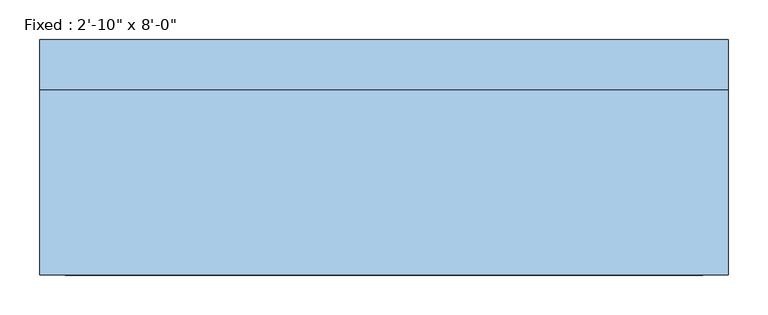
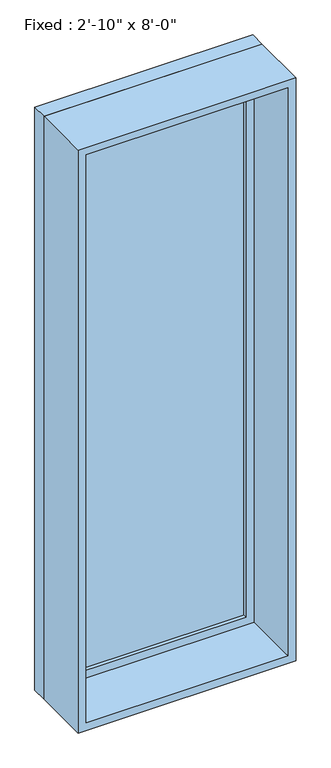
"""IFC4 building model written with IfcOpenShell, lengths in millimetres: window geometry."""

from ifc_helpers import new_model, si_unit, frame, origin, place, context, project, spatial, polyline, outline, extrude, source, transform, mapped, element, save


def window_b037f9fb(model_context):
    return source(origin(), model_context, "Body", "SweptSolid", [
        extrude(outline(polyline([(330.2, 100.0125), (-406.4, 100.0125), (-406.4, 112.7125), (330.2, 112.7125), (330.2, 100.0125)])), frame((0.0, 0.0, 317.5), z_axis=(0.0, 0.0, 1.0), x_axis=(1.0, 0.0, 0.0)), (0.0, 0.0, 1.0), 2311.4),
        extrude(outline(polyline([(2673.35, -450.85), (273.05, -450.85), (273.05, 374.65), (2673.35, 374.65), (2673.35, -450.85)]), holes=[polyline([(2628.9, -406.4), (2628.9, 330.2), (317.5, 330.2), (317.5, -406.4), (2628.9, -406.4)])]), frame((0.0, 84.1375, 0.0), z_axis=(0.0, 1.0, 0.0), x_axis=(0.0, 0.0, 1.0)), (0.0, 0.0, 1.0), 44.45),
        extrude(outline(polyline([(2692.4, -469.9), (254.0, -469.9), (254.0, 393.7), (2692.4, 393.7), (2692.4, -469.9)]), holes=[polyline([(2660.65, -438.15), (2660.65, 361.95), (285.75, 361.95), (285.75, -438.15), (2660.65, -438.15)])]), frame((0.0, -147.6375, 0.0), z_axis=(0.0, 1.0, 0.0), x_axis=(0.0, 0.0, 1.0)), (0.0, 0.0, 1.0), 231.775),
        extrude(outline(polyline([(2692.4, 393.7), (2692.4, -469.9), (254.0, -469.9), (254.0, 393.7), (2692.4, 393.7)]), holes=[polyline([(2673.35, 374.65), (273.05, 374.65), (273.05, -450.85), (2673.35, -450.85), (2673.35, 374.65)])]), frame((0.0, 84.1375, 0.0), z_axis=(0.0, 1.0, 0.0), x_axis=(0.0, 0.0, 1.0)), (0.0, 0.0, 1.0), 63.5),
    ])


if __name__ == "__main__":
    model = new_model("IFC4")
    model_context = context("Model", 3, world=origin())
    ifc_project = project(units=[si_unit("LENGTHUNIT", "METRE", prefix="MILLI")], contexts=[model_context])
    site = spatial("IfcSite", under=ifc_project)
    building = spatial("IfcBuilding", under=site)
    placement = place(None, origin())
    window_shape = window_b037f9fb(model_context)
    element("IfcWindow", 1, ObjectType="Fixed : 2'-10\" x 8'-0\"", at=placement, inside=building, context=model_context, shape_type="MappedRepresentation", body=[
        mapped(window_shape, transform((0.0, 0.0, 0.0), x_axis=(1.0, 0.0, 0.0), y_axis=(0.0, 1.0, 0.0), z_axis=(0.0, 0.0, 1.0))),
    ])
    save(model, "model.ifc")
